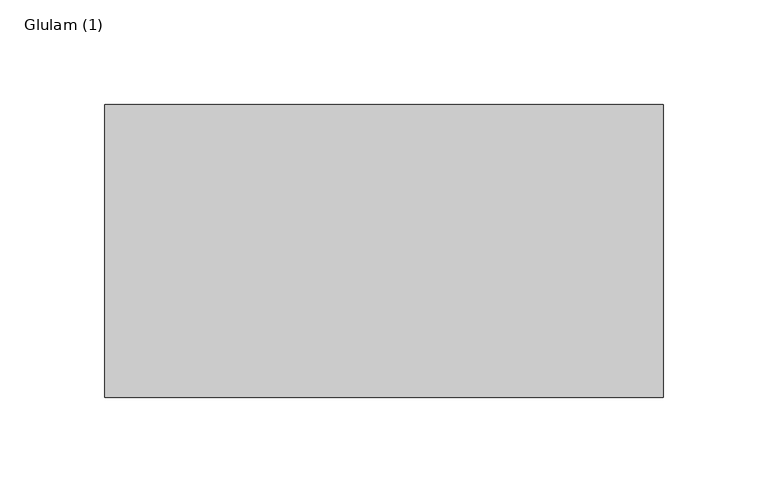
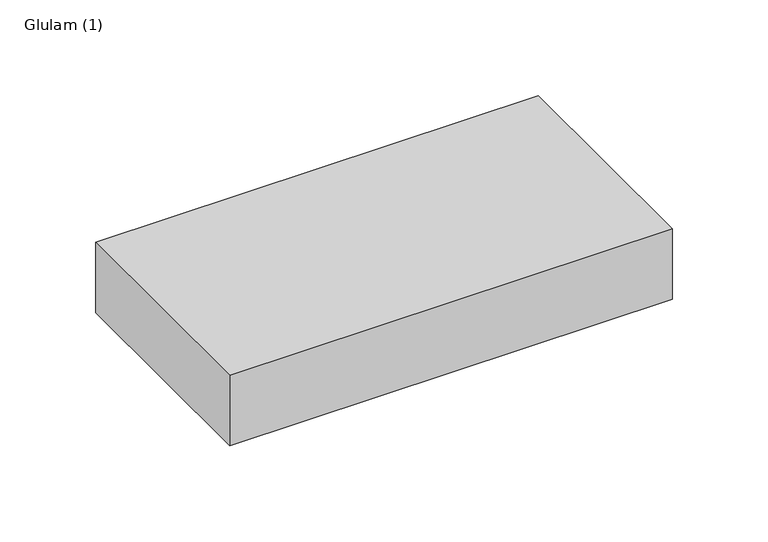
"""IFC4 building model written with IfcOpenShell, lengths in millimetres: beam geometry, Glulam (1)."""

from ifc_helpers import new_model, si_unit, frame, origin, place, context, project, spatial, polyline, outline, extrude, source, transform, mapped, element, save


def glulam_1_fd2969ef(model_context):
    return source(origin(), model_context, "Body", "SweptSolid", [
        extrude(outline(polyline([(135.5, 70.0), (135.5, -70.0), (-131.5, -70.0), (-131.5, 70.0), (135.5, 70.0)])), frame((0.0, 0.0, -22.5), z_axis=(0.0, 0.0, 1.0), x_axis=(1.0, 0.0, 0.0)), (0.0, 0.0, 1.0), 45.0),
    ])


if __name__ == "__main__":
    model = new_model("IFC4")
    model_context = context("Model", 3, world=origin())
    ifc_project = project(units=[si_unit("LENGTHUNIT", "METRE", prefix="MILLI")], contexts=[model_context])
    site = spatial("IfcSite", under=ifc_project)
    building = spatial("IfcBuilding", under=site)
    placement = place(None, origin())
    glulam_1_shape = glulam_1_fd2969ef(model_context)
    element("IfcBeam", 1, ObjectType="Glulam (1)", at=placement, inside=building, context=model_context, shape_type="MappedRepresentation", body=[
        mapped(glulam_1_shape, transform((0.0, 0.0, 0.0), x_axis=(1.0, 0.0, 0.0), y_axis=(0.0, 1.0, 0.0), z_axis=(0.0, 0.0, 1.0))),
    ])
    save(model, "model.ifc")
